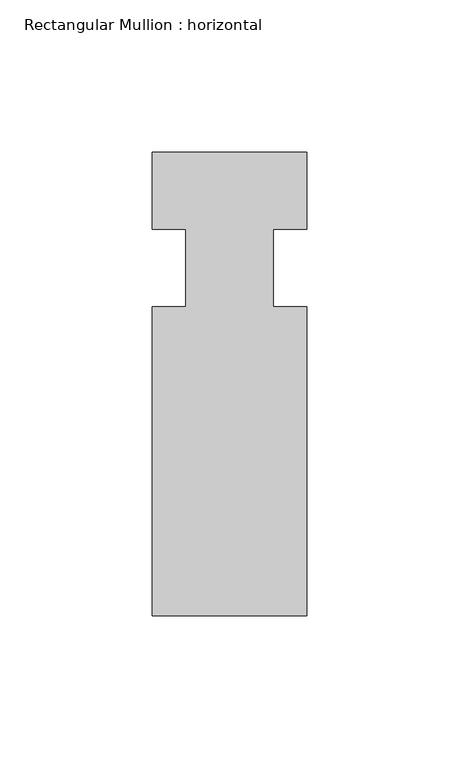
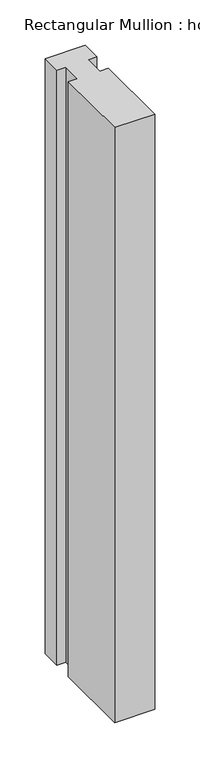
"""IFC4 building model written with IfcOpenShell, lengths in millimetres: member geometry, Rectangular Mullion : horizontal."""

from ifc_helpers import new_model, si_unit, frame, origin, place, context, project, spatial, polyline, outline, extrude, source, transform, mapped, element, save


def rectangular_mullion_horizontal_5b3af647(model_context):
    return source(origin(), model_context, "Body", "SweptSolid", [
        extrude(outline(polyline([(-25.4, 6.35), (25.4, 6.35), (25.4, -19.05), (14.398625, -19.05), (14.398625, -44.45), (25.4, -44.45), (25.4, -146.05), (-25.4, -146.05), (-25.4, -44.45), (-14.398625, -44.45), (-14.398625, -19.05), (-25.4, -19.05), (-25.4, 6.35)])), frame((0.0, 0.0, -800.0398076), z_axis=(0.0, 0.0, 1.0), x_axis=(1.0, 0.0, 0.0)), (0.0, 0.0, 1.0), 800.0398076),
    ])


if __name__ == "__main__":
    model = new_model("IFC4")
    model_context = context("Model", 3, world=origin())
    ifc_project = project(units=[si_unit("LENGTHUNIT", "METRE", prefix="MILLI")], contexts=[model_context])
    site = spatial("IfcSite", under=ifc_project)
    building = spatial("IfcBuilding", under=site)
    placement = place(None, origin())
    rectangular_mullion_horizontal_shape = rectangular_mullion_horizontal_5b3af647(model_context)
    element("IfcMember", 1, ObjectType="Rectangular Mullion : horizontal", at=placement, inside=building, context=model_context, shape_type="MappedRepresentation", body=[
        mapped(rectangular_mullion_horizontal_shape, transform((0.0, 0.0, 0.0), x_axis=(1.0, 0.0, 0.0), y_axis=(0.0, 1.0, 0.0), z_axis=(0.0, 0.0, 1.0))),
    ])
    save(model, "model.ifc")
